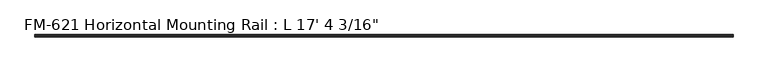
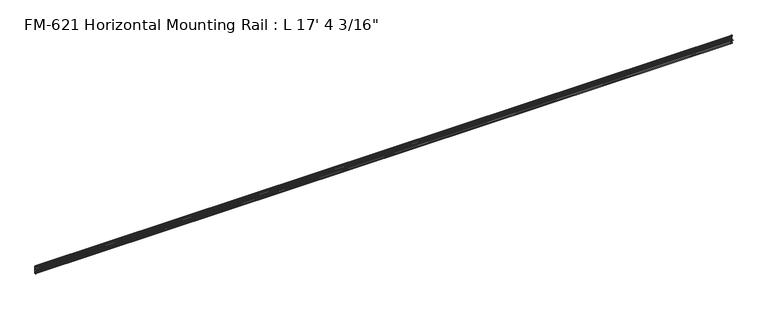
"""IFC4 building model written with IfcOpenShell, lengths in millimetres: proxy geometry."""

from ifc_helpers import new_model, si_unit, point, frame, frame_2d, origin, place, context, project, spatial, polyline, circle_curve, trimmed, segment, composite_curve, outline, extrude, source, transform, mapped, element, save


def proxy_c5465077(model_context):
    return source(origin(), model_context, "Body", "SweptSolid", [
        extrude(outline(composite_curve([segment(polyline([(13.6400687, 32.1158903), (15.4750158, 32.6885982)]), True, "CONTINUOUS"), segment(trimmed(circle_curve(frame_2d((15.6853088, 32.2686835)), 0.4696291), [point((15.4750158, 32.6885982))], [point((16.1549378, 32.2686835))], False, "CARTESIAN"), True, "CONTINUOUS"), segment(polyline([(16.1549378, 32.2686835), (16.1549378, 30.7270734)]), True, "CONTINUOUS"), segment(trimmed(circle_curve(frame_2d((17.7424378, 30.7270734)), 1.5875), [point((16.1549378, 30.7270734))], [point((17.7424378, 29.1395734))], True, "CARTESIAN"), True, "CONTINUOUS"), segment(polyline([(17.7424378, 29.1395734), (19.05, 29.1395734), (19.05, 0.0), (19.05, -27.5520734), (17.7424378, -27.5520734)]), True, "CONTINUOUS"), segment(trimmed(circle_curve(frame_2d((17.7424378, -29.1395734)), 1.5875), [point((17.7424378, -27.5520734))], [point((16.1549378, -29.1395734))], True, "CARTESIAN"), True, "CONTINUOUS"), segment(polyline([(16.1549378, -29.1395734), (16.1549378, -30.6811835)]), True, "CONTINUOUS"), segment(trimmed(circle_curve(frame_2d((15.6853088, -30.6811835)), 0.4696291), [point((16.1549378, -30.6811835))], [point((15.4750158, -31.1010982))], False, "CARTESIAN"), True, "CONTINUOUS"), segment(polyline([(15.4750158, -31.1010982), (13.6400687, -30.5283903)]), True, "CONTINUOUS"), segment(trimmed(circle_curve(frame_2d((14.5481808, -27.6188136)), 3.048), [point((13.6400687, -30.5283903))], [point((11.9462301, -29.2063136))], False, "CARTESIAN"), True, "CONTINUOUS"), segment(trimmed(circle_curve(frame_2d((14.5481808, -27.6188136)), 3.048), [point((11.9462301, -29.2063136))], [point((13.6400687, -24.7092369))], False, "CARTESIAN"), True, "CONTINUOUS"), segment(polyline([(13.6400687, -24.7092369), (15.4364113, -24.1485779)]), True, "CONTINUOUS"), segment(trimmed(circle_curve(frame_2d((15.6245238, -24.6872792)), 0.5706009), [point((15.4364113, -24.1485779))], [point((16.1779173, -24.8263515))], False, "CARTESIAN"), True, "CONTINUOUS"), segment(trimmed(circle_curve(frame_2d((16.9169378, -25.0120734)), 0.762), [point((16.1779173, -24.8263515))], [point((16.9376166, -25.7737928))], True, "CARTESIAN"), True, "CONTINUOUS"), segment(trimmed(circle_curve(frame_2d((16.9545, -25.2660734)), 0.508), [point((16.9376166, -25.7737928))], [point((17.4625, -25.2660734))], True, "CARTESIAN"), True, "CONTINUOUS"), segment(polyline([(17.4625, -25.2660734), (17.4625, -14.0784614), (17.9716639, -13.1610418), (17.9716639, -11.820881), (17.4625, -10.9034614), (17.4625, -1.9277595)]), True, "CONTINUOUS"), segment(trimmed(circle_curve(frame_2d((15.5575, -1.9277595)), 1.905), [point((17.4625, -1.9277595))], [point((15.5575, -0.0227595))], True, "CARTESIAN"), True, "CONTINUOUS"), segment(polyline([(15.5575, -0.0227595), (6.3855322, -0.0227595)]), True, "CONTINUOUS"), segment(trimmed(circle_curve(frame_2d((4.7981953, 0.0)), 1.5875), [point((6.3855322, -0.0227595))], [point((3.2106953, 0.0))], False, "CARTESIAN"), True, "CONTINUOUS"), segment(polyline([(3.2106953, 0.0), (0.0, 0.0), (0.0, 1.5875), (3.2106953, 1.5875)]), True, "CONTINUOUS"), segment(trimmed(circle_curve(frame_2d((4.7981953, 1.5875)), 1.5875), [point((3.2106953, 1.5875))], [point((6.3855322, 1.6102595))], False, "CARTESIAN"), True, "CONTINUOUS"), segment(polyline([(6.3855322, 1.6102595), (15.5575, 1.6102595)]), True, "CONTINUOUS"), segment(trimmed(circle_curve(frame_2d((15.5575, 3.5152595)), 1.905), [point((15.5575, 1.6102595))], [point((17.4625, 3.5152595))], True, "CARTESIAN"), True, "CONTINUOUS"), segment(polyline([(17.4625, 3.5152595), (17.4625, 12.4909614), (17.9716639, 13.408381), (17.9716639, 14.7485418), (17.4625, 15.6659614), (17.4625, 26.8535734)]), True, "CONTINUOUS"), segment(trimmed(circle_curve(frame_2d((16.9545, 26.8535734)), 0.508), [point((17.4625, 26.8535734))], [point((16.9376166, 27.3612928))], True, "CARTESIAN"), True, "CONTINUOUS"), segment(trimmed(circle_curve(frame_2d((16.9169378, 26.5995734)), 0.762), [point((16.9376166, 27.3612928))], [point((16.1779173, 26.4138515))], True, "CARTESIAN"), True, "CONTINUOUS"), segment(trimmed(circle_curve(frame_2d((15.6245238, 26.2747792)), 0.5706009), [point((16.1779173, 26.4138515))], [point((15.4364113, 25.7360779))], False, "CARTESIAN"), True, "CONTINUOUS"), segment(polyline([(15.4364113, 25.7360779), (13.6400687, 26.2967369)]), True, "CONTINUOUS"), segment(trimmed(circle_curve(frame_2d((14.5481808, 29.2063136)), 3.048), [point((13.6400687, 26.2967369))], [point((11.9462301, 30.7938136))], False, "CARTESIAN"), True, "CONTINUOUS"), segment(trimmed(circle_curve(frame_2d((14.5481808, 29.2063136)), 3.048), [point((11.9462301, 30.7938136))], [point((13.6400687, 32.1158903))], False, "CARTESIAN"), True, "CONTINUOUS")], self_intersect=False)), frame((0.0, 0.0, 0.0), z_axis=(1.0, 0.0, 0.0), x_axis=(0.0, 1.0, 0.0)), (0.0, 0.0, 1.0), 5287.9625),
    ])


if __name__ == "__main__":
    model = new_model("IFC4")
    model_context = context("Model", 3, world=origin())
    ifc_project = project(units=[si_unit("LENGTHUNIT", "METRE", prefix="MILLI")], contexts=[model_context])
    site = spatial("IfcSite", under=ifc_project)
    building = spatial("IfcBuilding", under=site)
    placement = place(None, origin())
    proxy_shape = proxy_c5465077(model_context)
    element("IfcBuildingElementProxy", 1, Name="FM-621 Horizontal Mounting Rail : L 17' 4 3/16\"", ObjectType="FM-621 Horizontal Mounting Rail : L 17' 4 3/16\"", at=placement, inside=building, context=model_context, shape_type="MappedRepresentation", body=[
        mapped(proxy_shape, transform((0.0, 0.0, 0.0), x_axis=(1.0, 0.0, 0.0), y_axis=(0.0, 1.0, 0.0), z_axis=(0.0, 0.0, 1.0))),
    ])
    save(model, "model.ifc")
